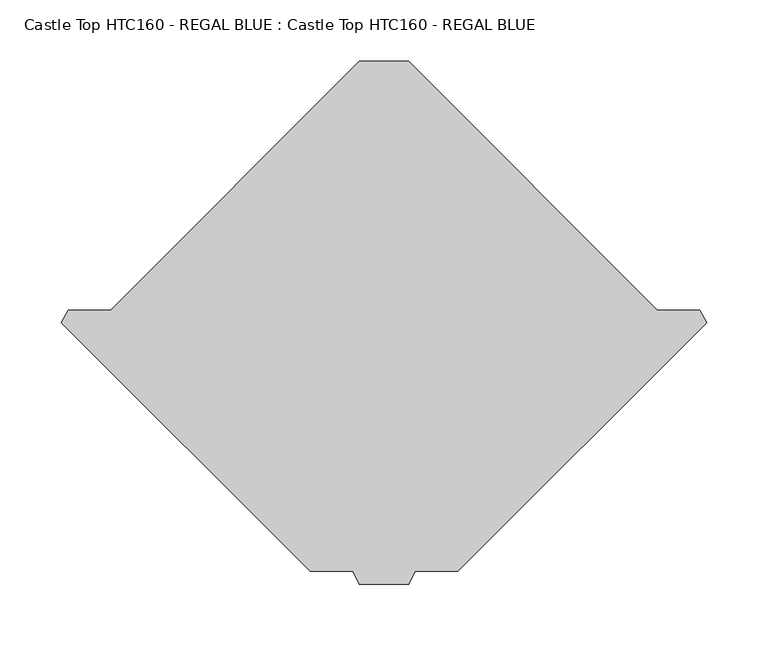
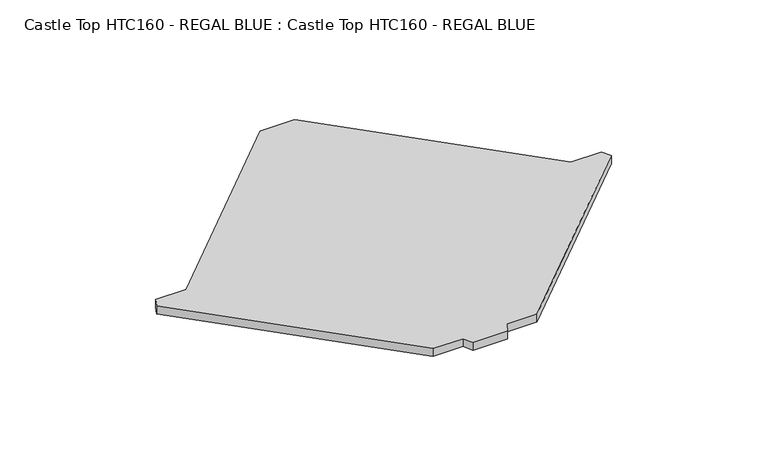
"""IFC4 building model written with IfcOpenShell, lengths in millimetres: proxy geometry, Castle Top HTC160 - REGAL BLUE : Castle Top HTC160 - REGAL BLUE."""

from ifc_helpers import new_model, si_unit, origin, origin_with_axes, place, context, project, spatial, polyline, outline, extrude, source, transform, mapped, element, save


def castle_top_htc160_regal_blue_castle_top_htc160_regal_blue_c21c0ec3(model_context):
    return source(origin(), model_context, "Body", "SweptSolid", [
        extrude(outline(polyline([(278.5862157, 201.52995), (480.9924657, -0.8763), (515.8064316, -0.8763), (521.1819102, -11.2882011), (318.8688113, -213.6013), (284.0548604, -213.6013), (278.6687657, -224.0337346), (238.6175113, -224.0337346), (233.2314316, -213.6013), (198.4174657, -213.6013), (-3.8956332, -11.2882011), (1.4798604, -0.8763), (36.2938113, -0.8763), (238.7000613, 201.52995), (278.5862157, 201.52995)])), origin_with_axes(), (0.0, 0.0, 1.0), 9.7234375),
    ])


if __name__ == "__main__":
    model = new_model("IFC4")
    model_context = context("Model", 3, world=origin())
    ifc_project = project(units=[si_unit("LENGTHUNIT", "METRE", prefix="MILLI")], contexts=[model_context])
    site = spatial("IfcSite", under=ifc_project)
    building = spatial("IfcBuilding", under=site)
    placement = place(None, origin())
    castle_top_htc160_regal_blue_castle_top_htc160_regal_blue_shape = castle_top_htc160_regal_blue_castle_top_htc160_regal_blue_c21c0ec3(model_context)
    element("IfcBuildingElementProxy", 1, Name="Castle Top HTC160 - REGAL BLUE : Castle Top HTC160 - REGAL BLUE", ObjectType="Castle Top HTC160 - REGAL BLUE : Castle Top HTC160 - REGAL BLUE", at=placement, inside=building, context=model_context, shape_type="MappedRepresentation", body=[
        mapped(castle_top_htc160_regal_blue_castle_top_htc160_regal_blue_shape, transform((0.0, 0.0, 0.0), x_axis=(1.0, 0.0, 0.0), y_axis=(0.0, 1.0, 0.0), z_axis=(0.0, 0.0, 1.0))),
    ])
    save(model, "model.ifc")
